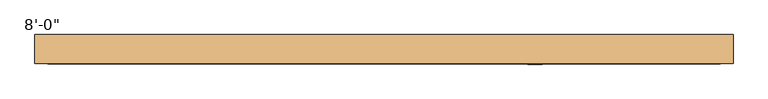
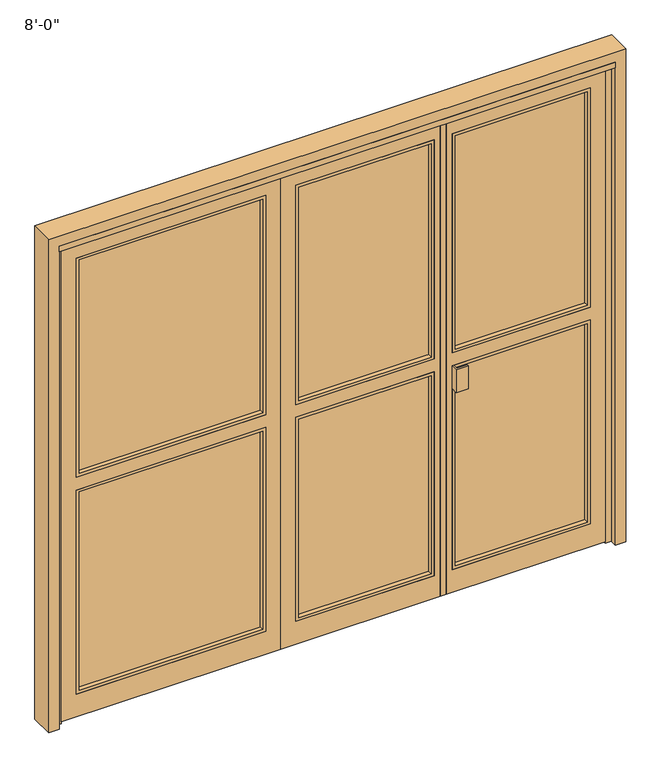
"""IFC4 building model written with IfcOpenShell, lengths in millimetres: door geometry."""

from ifc_helpers import new_model, si_unit, frame, origin, origin_with_axes, place, context, project, spatial, polyline, outline, extrude, source, transform, mapped, element, save


def door_e5a0c041(model_context):
    return source(origin(), model_context, "Body", "SweptSolid", [
        extrude(outline(polyline([(723.9, -52.3875), (723.9, -22.225), (730.25, -22.225), (730.25, -46.0375), (774.7, -46.0375), (774.7, -52.3875), (723.9, -52.3875)])), frame((0.0, 0.0, 919.1625), z_axis=(0.0, 0.0, 1.0), x_axis=(1.0, 0.0, 0.0)), (0.0, 0.0, 1.0), 101.6),
        extrude(outline(polyline([(1301.75, -3.175), (730.25, -3.175), (730.25, 3.175), (1301.75, 3.175), (1301.75, -3.175)])), frame((0.0, 0.0, 1084.2625), z_axis=(0.0, 0.0, 1.0), x_axis=(1.0, 0.0, 0.0)), (0.0, 0.0, 1.0), 966.7875),
        extrude(outline(polyline([(1301.75, -3.175), (730.25, -3.175), (730.25, 3.175), (1301.75, 3.175), (1301.75, -3.175)])), frame((0.0, 0.0, 115.8875), z_axis=(0.0, 0.0, 1.0), x_axis=(1.0, 0.0, 0.0)), (0.0, 0.0, 1.0), 898.525),
        extrude(outline(polyline([(1077.9125, 723.9), (1077.9125, 1308.1), (2057.4, 1308.1), (2057.4, 723.9), (1077.9125, 723.9)]), holes=[polyline([(1090.6125, 736.6), (2044.7, 736.6), (2044.7, 1295.4), (1090.6125, 1295.4), (1090.6125, 736.6)])]), frame((0.0, -22.225, 0.0), z_axis=(0.0, 1.0, 0.0), x_axis=(0.0, 0.0, 1.0)), (0.0, 0.0, 1.0), 44.45),
        extrude(outline(polyline([(109.5375, 723.9), (109.5375, 1308.1), (1020.7625, 1308.1), (1020.7625, 723.9), (109.5375, 723.9)]), holes=[polyline([(122.2375, 736.6), (1008.0625, 736.6), (1008.0625, 1295.4), (122.2375, 1295.4), (122.2375, 736.6)])]), frame((0.0, -22.225, 0.0), z_axis=(0.0, 1.0, 0.0), x_axis=(0.0, 0.0, 1.0)), (0.0, 0.0, 1.0), 44.45),
        extrude(outline(polyline([(7.9375, 698.5), (7.9375, 1371.6), (2133.6, 1371.6), (2133.6, 698.5), (7.9375, 698.5)]), holes=[polyline([(1020.7625, 723.9), (1020.7625, 1308.1), (109.5375, 1308.1), (109.5375, 723.9), (1020.7625, 723.9)]), polyline([(1077.9125, 1308.1), (1077.9125, 723.9), (2057.4, 723.9), (2057.4, 1308.1), (1077.9125, 1308.1)])]), frame((0.0, -22.225, 0.0), z_axis=(0.0, 1.0, 0.0), x_axis=(0.0, 0.0, 1.0)), (0.0, 0.0, 1.0), 44.45),
        extrude(outline(polyline([(698.5, -22.225), (673.1, -22.225), (673.1, 47.625), (698.5, 47.625), (698.5, -22.225)])), frame((0.0, 0.0, 7.9375), z_axis=(0.0, 0.0, 1.0), x_axis=(1.0, 0.0, 0.0)), (0.0, 0.0, 1.0), 2125.6625),
        extrude(outline(polyline([(641.35, -3.175), (69.85, -3.175), (69.85, 3.175), (641.35, 3.175), (641.35, -3.175)])), frame((0.0, 0.0, 1084.2625), z_axis=(0.0, 0.0, 1.0), x_axis=(1.0, 0.0, 0.0)), (0.0, 0.0, 1.0), 966.7875),
        extrude(outline(polyline([(641.35, -3.175), (69.85, -3.175), (69.85, 3.175), (641.35, 3.175), (641.35, -3.175)])), frame((0.0, 0.0, 115.8875), z_axis=(0.0, 0.0, 1.0), x_axis=(1.0, 0.0, 0.0)), (0.0, 0.0, 1.0), 898.525),
        extrude(outline(polyline([(1077.9125, 647.7), (2057.4, 647.7), (2057.4, 63.5), (1077.9125, 63.5), (1077.9125, 647.7)]), holes=[polyline([(1090.6125, 635.0), (1090.6125, 76.2), (2044.7, 76.2), (2044.7, 635.0), (1090.6125, 635.0)])]), frame((0.0, -22.225, 0.0), z_axis=(0.0, 1.0, 0.0), x_axis=(0.0, 0.0, 1.0)), (0.0, 0.0, 1.0), 44.45),
        extrude(outline(polyline([(109.5375, 647.7), (1020.7625, 647.7), (1020.7625, 63.5), (109.5375, 63.5), (109.5375, 647.7)]), holes=[polyline([(122.2375, 635.0), (122.2375, 76.2), (1008.0625, 76.2), (1008.0625, 635.0), (122.2375, 635.0)])]), frame((0.0, -22.225, 0.0), z_axis=(0.0, 1.0, 0.0), x_axis=(0.0, 0.0, 1.0)), (0.0, 0.0, 1.0), 44.45),
        extrude(outline(polyline([(7.9375, 673.1), (2133.6, 673.1), (2133.6, 0.0), (7.9375, 0.0), (7.9375, 673.1)]), holes=[polyline([(1020.7625, 647.7), (109.5375, 647.7), (109.5375, 63.5), (1020.7625, 63.5), (1020.7625, 647.7)]), polyline([(1077.9125, 63.5), (2057.4, 63.5), (2057.4, 647.7), (1077.9125, 647.7), (1077.9125, 63.5)])]), frame((0.0, -22.225, 0.0), z_axis=(0.0, 1.0, 0.0), x_axis=(0.0, 0.0, 1.0)), (0.0, 0.0, 1.0), 44.45),
        extrude(outline(polyline([(-69.85, -3.175), (-857.25, -3.175), (-857.25, 3.175), (-69.85, 3.175), (-69.85, -3.175)])), frame((0.0, 0.0, 1084.2625), z_axis=(0.0, 0.0, 1.0), x_axis=(1.0, 0.0, 0.0)), (0.0, 0.0, 1.0), 966.7875),
        extrude(outline(polyline([(-69.85, -3.175), (-857.25, -3.175), (-857.25, 3.175), (-69.85, 3.175), (-69.85, -3.175)])), frame((0.0, 0.0, 115.8875), z_axis=(0.0, 0.0, 1.0), x_axis=(1.0, 0.0, 0.0)), (0.0, 0.0, 1.0), 898.525),
        extrude(outline(polyline([(1077.9125, -63.5), (2057.4, -63.5), (2057.4, -863.6), (1077.9125, -863.6), (1077.9125, -63.5)]), holes=[polyline([(1090.6125, -76.2), (1090.6125, -850.9), (2044.7, -850.9), (2044.7, -76.2), (1090.6125, -76.2)])]), frame((0.0, -22.225, 0.0), z_axis=(0.0, 1.0, 0.0), x_axis=(0.0, 0.0, 1.0)), (0.0, 0.0, 1.0), 44.45),
        extrude(outline(polyline([(1020.7625, -63.5), (1020.7625, -863.6), (109.5375, -863.6), (109.5375, -63.5), (1020.7625, -63.5)]), holes=[polyline([(122.2375, -76.2), (122.2375, -850.9), (1008.0625, -850.9), (1008.0625, -76.2), (122.2375, -76.2)])]), frame((0.0, -22.225, 0.0), z_axis=(0.0, 1.0, 0.0), x_axis=(0.0, 0.0, 1.0)), (0.0, 0.0, 1.0), 44.45),
        extrude(outline(polyline([(7.9375, 0.0), (2133.6, 0.0), (2133.6, -927.1), (7.9375, -927.1), (7.9375, 0.0)]), holes=[polyline([(1077.9125, -63.5), (1077.9125, -863.6), (2057.4, -863.6), (2057.4, -63.5), (1077.9125, -63.5)]), polyline([(1020.7625, -63.5), (109.5375, -63.5), (109.5375, -863.6), (1020.7625, -863.6), (1020.7625, -63.5)])]), frame((0.0, -22.225, 0.0), z_axis=(0.0, 1.0, 0.0), x_axis=(0.0, 0.0, 1.0)), (0.0, 0.0, 1.0), 44.45),
        extrude(outline(polyline([(-927.1, -22.225), (-952.5, -22.225), (-952.5, 22.225), (-927.1, 22.225), (-927.1, -22.225)])), origin_with_axes(), (0.0, 0.0, 1.0), 2133.6),
        extrude(outline(polyline([(1397.0, -22.225), (1371.6, -22.225), (1371.6, 22.225), (1397.0, 22.225), (1397.0, -22.225)])), origin_with_axes(), (0.0, 0.0, 1.0), 2133.6),
        extrude(outline(polyline([(1397.0, -50.8), (-952.5, -50.8), (-952.5, 50.8), (1397.0, 50.8), (1397.0, -50.8)])), frame((0.0, 0.0, 2133.6), z_axis=(0.0, 0.0, 1.0), x_axis=(1.0, 0.0, 0.0)), (0.0, 0.0, 1.0), 25.4),
        extrude(outline(polyline([(2203.45, -996.95), (0.0, -996.95), (0.0, -952.5), (2159.0, -952.5), (2159.0, 1397.0), (0.0, 1397.0), (0.0, 1441.45), (2203.45, 1441.45), (2203.45, -996.95)])), frame((0.0, -50.8, 0.0), z_axis=(0.0, 1.0, 0.0), x_axis=(0.0, 0.0, 1.0)), (0.0, 0.0, 1.0), 101.6),
    ])


if __name__ == "__main__":
    model = new_model("IFC4")
    model_context = context("Model", 3, world=origin())
    ifc_project = project(units=[si_unit("LENGTHUNIT", "METRE", prefix="MILLI")], contexts=[model_context])
    site = spatial("IfcSite", under=ifc_project)
    building = spatial("IfcBuilding", under=site)
    placement = place(None, origin())
    door_shape = door_e5a0c041(model_context)
    element("IfcDoor", 1, ObjectType="8'-0\"", at=placement, inside=building, context=model_context, shape_type="MappedRepresentation", body=[
        mapped(door_shape, transform((0.0, 0.0, 0.0), x_axis=(1.0, 0.0, 0.0), y_axis=(0.0, 1.0, 0.0), z_axis=(0.0, 0.0, 1.0))),
    ])
    save(model, "model.ifc")
